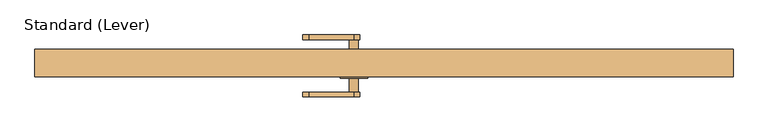
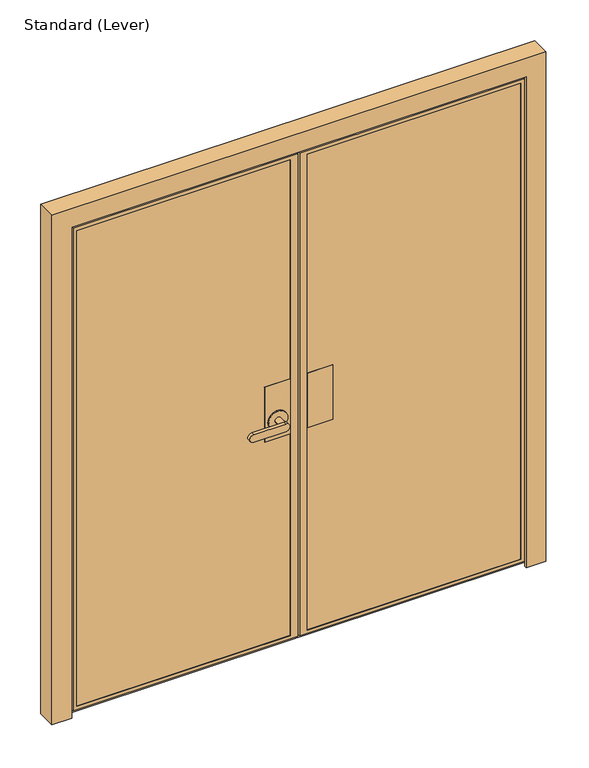
"""IFC4 building model written with IfcOpenShell, lengths in millimetres: door geometry, Standard (Lever)."""

import ifcopenshell
import ifcopenshell.guid

model = None  # the IFC model being written
_history = None  # IfcOwnerHistory: only IFC2X3 demands one
_inside = {}  # id of a spatial element -> (the spatial element, [elements in it])
_under = {}  # id of a project, library or spatial element -> (it, [spatial elements below it])
_declared = {}  # id of a project -> (the project, [libraries it declares])
_typed = {}  # id of a type object -> (the type object, [elements of that type])
_made_of = {}  # id of a material, layer set ... -> (it, [elements and type objects made of it])


def new_model(schema):
    """Start an empty IFC model of exactly this schema.

    Asked for "IFC4X3", IfcOpenShell would pick the latest addendum, in which some entities
    have other attributes; the version numbers below select the first issue.
    IFC2X3 requires an IfcOwnerHistory on every rooted entity: one is made here for all.
    """
    global model, _history
    if schema == "IFC4X3":
        model = ifcopenshell.file(schema_version=(4, 3, 0, 0))
    else:
        model = ifcopenshell.file(schema=schema)
    _inside.clear()
    _under.clear()
    _declared.clear()
    _typed.clear()
    _made_of.clear()
    _history = None
    if model.schema == "IFC2X3":
        org = make("IfcOrganization", Name="unknown")
        user = make(
            "IfcPersonAndOrganization",
            ThePerson=make("IfcPerson", FamilyName="unknown"),
            TheOrganization=org,
        )
        app = make(
            "IfcApplication",
            ApplicationDeveloper=org,
            Version="unknown",
            ApplicationFullName="unknown",
            ApplicationIdentifier="unknown",
        )
        _history = make(
            "IfcOwnerHistory",
            OwningUser=user,
            OwningApplication=app,
            ChangeAction="ADDED",
            CreationDate=0,
        )
    return model


def make(cls, **values):
    """One entity of the class cls with the attributes given. An attribute that is None is left unset."""
    return model.create_entity(
        cls, **{name: value for name, value in values.items() if value is not None}
    )


def rooted(cls, **values):
    """An entity with a GlobalId (a new one), such as an element, a storey or a relation."""
    return make(cls, GlobalId=ifcopenshell.guid.new(), OwnerHistory=_history, **values)


def si_unit(unit_type, name, prefix=None):
    """IfcSIUnit, for example si_unit("LENGTHUNIT", "METRE", prefix="MILLI")."""
    return make("IfcSIUnit", UnitType=unit_type, Prefix=prefix, Name=name)


def assignment(units):
    """IfcUnitAssignment: the units of a project."""
    return None if units is None else make("IfcUnitAssignment", Units=units)


def point(xyz):
    """IfcCartesianPoint."""
    return None if xyz is None else make("IfcCartesianPoint", Coordinates=xyz)


def direction(xyz):
    """IfcDirection."""
    return None if xyz is None else make("IfcDirection", DirectionRatios=xyz)


def frame(location, z_axis=None, x_axis=None):
    """IfcAxis2Placement3D, a coordinate frame: its origin and axes. An axis left out is left unset."""
    return make(
        "IfcAxis2Placement3D",
        Location=point(location),
        Axis=direction(z_axis),
        RefDirection=direction(x_axis),
    )


def origin():
    """The frame at (0, 0, 0) with its axes left unset."""
    return frame((0.0, 0.0, 0.0))


def place(relative_to, where):
    """IfcLocalPlacement: puts the frame where relative to a parent placement (None: the world)."""
    return make(
        "IfcLocalPlacement", PlacementRelTo=relative_to, RelativePlacement=where
    )


def context(
    kind, dimensions, precision=None, world=None, true_north=None, identifier=None
):
    """IfcGeometricRepresentationContext, for example the 3D "Model" context."""
    return make(
        "IfcGeometricRepresentationContext",
        ContextIdentifier=identifier,
        ContextType=kind,
        CoordinateSpaceDimension=dimensions,
        Precision=precision,
        WorldCoordinateSystem=world,
        TrueNorth=true_north,
    )


def project(units=None, contexts=None):
    """IfcProject with its units and contexts."""
    return rooted(
        "IfcProject",
        Name="project",
        RepresentationContexts=contexts,
        UnitsInContext=assignment(units),
    )


def spatial(cls, under=None, at=None, **own):
    """A site, building, storey or space (cls), placed at a placement, below another one or the project."""
    s = rooted(cls, ObjectPlacement=at, **own)
    if under is not None:
        _under.setdefault(under.id(), (under, []))[1].append(s)
    return s


def polyline(points):
    """IfcPolyline through the points."""
    return make("IfcPolyline", Points=[point(p) for p in points])


def circle_curve(where, radius):
    """IfcCircle in the frame where."""
    return make("IfcCircle", Position=where, Radius=radius)


def outline(outer, holes=None, kind="AREA"):
    """IfcArbitraryClosedProfileDef: a profile drawn as a closed curve; with holes, ...WithVoids."""
    if holes is None:
        return make("IfcArbitraryClosedProfileDef", ProfileType=kind, OuterCurve=outer)
    return make(
        "IfcArbitraryProfileDefWithVoids",
        ProfileType=kind,
        OuterCurve=outer,
        InnerCurves=holes,
    )


def extrude(swept, where, along, depth):
    """IfcExtrudedAreaSolid: the profile swept, set in the frame where, extruded along a direction by depth."""
    return make(
        "IfcExtrudedAreaSolid",
        SweptArea=swept,
        Position=where,
        ExtrudedDirection=direction(along),
        Depth=depth,
    )


def faces_of(points, faces, orient=None, outer=None):
    """IfcFace entities. A face is a list of loops; a loop is a list of indices into points, from 0.

    orient and outer hold one flag for each loop. By default every Orientation is true, the
    first loop of a face is its IfcFaceOuterBound and the others are IfcFaceBound.
    """
    made = []
    for i, loops in enumerate(faces):
        bounds = []
        for j, loop in enumerate(loops):
            is_outer = j == 0 if outer is None else outer[i][j]
            bounds.append(
                make(
                    "IfcFaceOuterBound" if is_outer else "IfcFaceBound",
                    Bound=make("IfcPolyLoop", Polygon=[points[k] for k in loop]),
                    Orientation=True if orient is None else orient[i][j],
                )
            )
        made.append(make("IfcFace", Bounds=bounds))
    return made


def faceted_brep(points, faces, orient=None, outer=None, voids=None):
    """IfcFacetedBrep: a solid bounded by flat faces; with voids (closed shells), ...WithVoids."""
    shared = [point(p) for p in points]
    hull = make("IfcClosedShell", CfsFaces=faces_of(shared, faces, orient, outer))
    if voids is None:
        return make("IfcFacetedBrep", Outer=hull)
    return make(
        "IfcFacetedBrepWithVoids",
        Outer=hull,
        Voids=[
            make(cls, CfsFaces=faces_of(shared, fs, o, b)) for cls, fs, o, b in voids
        ],
    )


def shape(context_of_items, identifier, shape_type, items):
    """IfcShapeRepresentation: the items that make up one representation, for example the "Body"."""
    return make(
        "IfcShapeRepresentation",
        ContextOfItems=context_of_items,
        RepresentationIdentifier=identifier,
        RepresentationType=shape_type,
        Items=items,
    )


def source(mapping_origin, context_of_items, identifier, shape_type, items):
    """IfcRepresentationMap: a shape defined once, which mapped items show again and again."""
    return make(
        "IfcRepresentationMap",
        MappingOrigin=mapping_origin,
        MappedRepresentation=shape(context_of_items, identifier, shape_type, items),
    )


def transform(
    local_origin,
    x_axis=None,
    y_axis=None,
    z_axis=None,
    scale=None,
    scale2=None,
    scale3=None,
    uniform=True,
):
    """IfcCartesianTransformationOperator3D, or its non-uniform kind. x_axis, y_axis, z_axis: its Axis1, 2, 3."""
    if uniform:
        return make(
            "IfcCartesianTransformationOperator3D",
            Axis1=direction(x_axis),
            Axis2=direction(y_axis),
            LocalOrigin=point(local_origin),
            Scale=scale,
            Axis3=direction(z_axis),
        )
    return make(
        "IfcCartesianTransformationOperator3DnonUniform",
        Axis1=direction(x_axis),
        Axis2=direction(y_axis),
        LocalOrigin=point(local_origin),
        Scale=scale,
        Axis3=direction(z_axis),
        Scale2=scale2,
        Scale3=scale3,
    )


def mapped(mapping_source, mapping_target):
    """IfcMappedItem: shows the shape of a source again, moved by a transform."""
    return make(
        "IfcMappedItem", MappingSource=mapping_source, MappingTarget=mapping_target
    )


def made_of(thing, what):
    """Note that an element or type object is made of a material, layer set ...; save() writes the relation."""
    if what is not None:
        _made_of.setdefault(what.id(), (what, []))[1].append(thing)
    return thing


def element(
    cls,
    number,
    at=None,
    inside=None,
    cuts=None,
    type_object=None,
    material=None,
    context=None,
    identifier="Body",
    shape_type=None,
    held_by="IfcProductDefinitionShape",
    body=None,
    shapes=None,
    **own,
):
    """One element of the class cls, such as IfcWall. Its Tag is "e" and its number.

    at: its placement. inside: the storey or other place that contains it. cuts: it is an
    opening in that element (IfcRelVoidsElement). A single representation is given by context,
    identifier, shape_type and body (its items); several are given by shapes. held_by: the class
    of the entity that holds the representations. save() writes the other relations.
    """
    e = rooted(cls, Tag="e%d" % number, ObjectPlacement=at, **own)
    if body is not None:
        shapes = [shape(context, identifier, shape_type, body)]
    if shapes is not None:
        e.Representation = make(held_by, Representations=shapes)
    if inside is not None:
        _inside.setdefault(inside.id(), (inside, []))[1].append(e)
    if cuts is not None:
        rooted(
            "IfcRelVoidsElement", RelatingBuildingElement=cuts, RelatedOpeningElement=e
        )
    if type_object is not None:
        _typed.setdefault(type_object.id(), (type_object, []))[1].append(e)
    return made_of(e, material)


def aggregate(whole, parts):
    """IfcRelAggregates: a whole, such as a stair, and the parts it consists of."""
    return rooted("IfcRelAggregates", RelatingObject=whole, RelatedObjects=parts)


def save(model, path):
    """Write the relations noted so far, then the file.

    IfcRelAggregates (storeys below a building ...), IfcRelContainedInSpatialStructure (elements
    in a storey), IfcRelDefinesByType, IfcRelAssociatesMaterial and IfcRelDeclares: one each for
    every whole, place, type object, material and project.
    """
    for whole, parts in _under.values():
        aggregate(whole, parts)
    for where, things in _inside.values():
        rooted(
            "IfcRelContainedInSpatialStructure",
            RelatedElements=things,
            RelatingStructure=where,
        )
    for kind, things in _typed.values():
        rooted("IfcRelDefinesByType", RelatedObjects=things, RelatingType=kind)
    for what, things in _made_of.values():
        rooted("IfcRelAssociatesMaterial", RelatedObjects=things, RelatingMaterial=what)
    for by, libraries in _declared.values():
        rooted("IfcRelDeclares", RelatingContext=by, RelatedDefinitions=libraries)
    model.write(path)


def plane_surface(at):
    """IfcPlane: the flat surface through the origin of the frame at, square to its z axis."""
    return make("IfcPlane", Position=at)


def cylinder_surface(at, radius):
    """IfcCylindricalSurface: all points at the distance radius from the z axis of the frame at."""
    return make("IfcCylindricalSurface", Position=at, Radius=radius)


def advanced_brep(points, edges, surfaces, faces):
    """IfcAdvancedBrep: a solid bounded by faces that lie on surfaces and meet in shared edges.

    An edge is (start, end): straight between two places in points (the first is 0);
    or (start, end, curve); or (start, end, curve, False) where it runs against its curve.
    A face is (place in surfaces, loops), or (place, loops, False) where it looks against
    its surface's normal. A loop lists edges by number (the first is 1), with a minus sign
    where the edge is run from its end to its start. The first loop is the outer one.
    """
    corners = [point(p) for p in points]
    vertices = [make("IfcVertexPoint", VertexGeometry=c) for c in corners]
    made = []
    for start, end, *more in edges:
        made.append(
            make(
                "IfcEdgeCurve",
                EdgeStart=vertices[start],
                EdgeEnd=vertices[end],
                EdgeGeometry=more[0] if more else make("IfcPolyline", Points=[corners[start], corners[end]]),
                SameSense=more[1] if len(more) > 1 else True,
            )
        )
    hull = []
    for where, loops, *sense in faces:
        bounds = []
        for j, loop in enumerate(loops):
            ring = [make("IfcOrientedEdge", EdgeElement=made[abs(k) - 1], Orientation=k > 0) for k in loop]
            bounds.append(
                make(
                    "IfcFaceOuterBound" if j == 0 else "IfcFaceBound",
                    Bound=make("IfcEdgeLoop", EdgeList=ring),
                    Orientation=True,
                )
            )
        hull.append(make("IfcAdvancedFace", Bounds=bounds, FaceSurface=surfaces[where], SameSense=sense[0] if sense else True))
    return make("IfcAdvancedBrep", Outer=make("IfcClosedShell", CfsFaces=hull))


def standard_lever_feea6238(model_context):
    return source(origin(), model_context, "Body", "SolidModel", [
        extrude(outline(polyline([(-282.575, 21.43125), (-180.975, 21.43125), (-180.975, -26.19375), (-282.575, -26.19375), (-282.575, 21.43125)])), frame((0.0, 0.0, 889.0), z_axis=(0.0, 0.0, 1.0), x_axis=(1.0, 0.0, 0.0)), (0.0, 0.0, 1.0), 228.6),
        extrude(outline(polyline([(-282.575, -35.71875), (-180.975, -35.71875), (-180.975, -37.30625), (-282.575, -37.30625), (-282.575, -35.71875)])), frame((0.0, 0.0, 889.0), z_axis=(0.0, 0.0, 1.0), x_axis=(1.0, 0.0, 0.0)), (0.0, 0.0, 1.0), 228.6),
        advanced_brep(
        [(-349.25, 21.43125, 1117.6), (-450.85, 21.43125, 1117.6), (-450.85, -26.19375, 1117.6), (-349.25, -26.19375, 1117.6), (-349.25, 21.43125, 889.0), (-349.25, -26.19375, 889.0), (-450.85, -26.19375, 889.0), (-450.85, 21.43125, 889.0), (-361.95, 21.43125, 965.2), (-438.15, 21.43125, 965.2), (-387.35, 26.19375, 965.2), (-412.75, 26.19375, 965.2), (-412.75, 65.88125, 965.2), (-387.35, 65.88125, 965.2), (-361.95, 26.19375, 965.2), (-438.15, 26.19375, 965.2), (-400.05, 65.88125, 949.325), (-400.05, 65.88125, 981.075), (-527.05, 65.88125, 981.075), (-527.05, 65.88125, 949.325), (-400.05, 78.58125, 949.325), (-527.05, 78.58125, 949.325), (-527.05, 78.58125, 981.075), (-400.05, 78.58125, 981.075)],
        [
            (0, 1),
            (1, 2),
            (2, 3),
            (3, 0),
            (4, 5),
            (5, 6),
            (6, 7),
            (7, 4),
            (3, 5),
            (4, 0),
            (2, 6),
            (1, 7),
            (8, 9, circle_curve(frame((-400.05, 21.43125, 965.2), z_axis=(0.0, -1.0, 0.0), x_axis=(-1.0, 0.0, 0.0)), 38.1)),
            (9, 8, circle_curve(frame((-400.05, 21.43125, 965.2), z_axis=(0.0, -1.0, 0.0), x_axis=(-1.0, 0.0, 0.0)), 38.1)),
            (10, 11, circle_curve(frame((-400.05, 26.19375, 965.2), z_axis=(0.0, 1.0, 0.0), x_axis=(-1.0, 0.0, 0.0)), 12.7)),
            (11, 12),
            (12, 13, circle_curve(frame((-400.05, 65.88125, 965.2), z_axis=(0.0, -1.0, 0.0), x_axis=(-1.0, 0.0, 0.0)), 12.7)),
            (13, 10),
            (13, 12, circle_curve(frame((-400.05, 65.88125, 965.2), z_axis=(0.0, -1.0, 0.0), x_axis=(-1.0, 0.0, 0.0)), 12.7)),
            (11, 10, circle_curve(frame((-400.05, 26.19375, 965.2), z_axis=(0.0, 1.0, 0.0), x_axis=(-1.0, 0.0, 0.0)), 12.7)),
            (14, 15, circle_curve(frame((-400.05, 26.19375, 965.2), z_axis=(0.0, 1.0, 0.0), x_axis=(-1.0, 0.0, 0.0)), 38.1)),
            (15, 14, circle_curve(frame((-400.05, 26.19375, 965.2), z_axis=(0.0, 1.0, 0.0), x_axis=(-1.0, 0.0, 0.0)), 38.1)),
            (14, 8),
            (9, 15),
            (16, 17, circle_curve(frame((-400.05, 65.88125, 965.2), z_axis=(0.0, -1.0, 0.0), x_axis=(-1.0, 0.0, 0.0)), 15.875)),
            (17, 18),
            (18, 19, circle_curve(frame((-527.05, 65.88125, 965.2), z_axis=(0.0, -1.0, 0.0), x_axis=(-1.0, 0.0, 0.0)), 15.875)),
            (19, 16),
            (20, 21),
            (21, 22, circle_curve(frame((-527.05, 78.58125, 965.2), z_axis=(0.0, 1.0, 0.0), x_axis=(-1.0, 0.0, 0.0)), 15.875)),
            (22, 23),
            (23, 20, circle_curve(frame((-400.05, 78.58125, 965.2), z_axis=(0.0, 1.0, 0.0), x_axis=(-1.0, 0.0, 0.0)), 15.875)),
            (19, 21),
            (20, 16),
            (18, 22),
            (17, 23),
        ],
        [
            plane_surface(frame((-349.25, 88.6380478, 1117.6), z_axis=(0.0, 0.0, 1.0), x_axis=(0.0, -1.0, 0.0))),
            plane_surface(frame((-349.25, 88.6380478, 889.0), z_axis=(0.0, 0.0, -1.0), x_axis=(0.0, 1.0, 0.0))),
            plane_surface(frame((-349.25, 21.43125, 1117.6), z_axis=(1.0, 0.0, 0.0), x_axis=(0.0, 0.0, -1.0))),
            plane_surface(frame((-349.25, -26.19375, 1117.6), z_axis=(0.0, -1.0, 0.0), x_axis=(0.0, 0.0, -1.0))),
            plane_surface(frame((-450.85, -26.19375, 1117.6), z_axis=(-1.0, 0.0, 0.0), x_axis=(0.0, 0.0, -1.0))),
            plane_surface(frame((-450.85, 21.43125, 1117.6), z_axis=(0.0, 1.0, 0.0), x_axis=(0.0, 0.0, -1.0))),
            cylinder_surface(frame((-400.05, 65.88125, 965.2), z_axis=(0.0, -1.0, 0.0), x_axis=(-1.0, 0.0, 0.0)), 12.7),
            plane_surface(frame((-438.15, 26.19375, 965.2), z_axis=(0.0, 1.0, 0.0), x_axis=(0.0, 0.0, -1.0))),
            cylinder_surface(frame((-400.05, 26.19375, 965.2), z_axis=(0.0, -1.0, 0.0), x_axis=(-1.0, 0.0, 0.0)), 38.1),
            plane_surface(frame((-400.05, 65.88125, 949.325), z_axis=(0.0, -1.0, 0.0), x_axis=(-1.0, 0.0, 0.0))),
            plane_surface(frame((-400.05, 78.58125, 949.325), z_axis=(0.0, 1.0, 0.0), x_axis=(1.0, 0.0, 0.0))),
            plane_surface(frame((-400.05, 65.88125, 949.325), z_axis=(0.0, 0.0, -1.0), x_axis=(0.0, 1.0, 0.0))),
            cylinder_surface(frame((-527.05, 78.58125, 965.2), z_axis=(0.0, -1.0, 0.0), x_axis=(-1.0, 0.0, 0.0)), 15.875),
            plane_surface(frame((-527.05, 65.88125, 981.075), z_axis=(0.0, 0.0, 1.0), x_axis=(0.0, 1.0, 0.0))),
            cylinder_surface(frame((-400.05, 78.58125, 965.2), z_axis=(0.0, -1.0, 0.0), x_axis=(-1.0, 0.0, 0.0)), 15.875),
        ],
        [
            (0, [[1, 2, 3, 4]]),
            (1, [[5, 6, 7, 8]]),
            (2, [[9, -5, 10, -4]]),
            (3, [[11, -6, -9, -3]]),
            (4, [[12, -7, -11, -2]]),
            (5, [[-10, -8, -12, -1], [13, 14]]),
            (6, [[15, 16, 17, 18]]),
            (6, [[19, -16, 20, -18]]),
            (7, [[21, 22], [-20, -15]]),
            (8, [[23, -14, 24, -21]]),
            (8, [[-24, -13, -23, -22]]),
            (9, [[25, 26, 27, 28], [-19, -17]]),
            (10, [[29, 30, 31, 32]]),
            (11, [[33, -29, 34, -28]]),
            (12, [[35, -30, -33, -27]]),
            (13, [[36, -31, -35, -26]]),
            (14, [[-34, -32, -36, -25]]),
        ],
    ),
        advanced_brep(
        [(-349.25, -35.71875, 1117.6), (-450.85, -35.71875, 1117.6), (-450.85, -37.30625, 1117.6), (-349.25, -37.30625, 1117.6), (-349.25, -35.71875, 889.0), (-349.25, -37.30625, 889.0), (-450.85, -37.30625, 889.0), (-450.85, -35.71875, 889.0), (-361.95, -42.06875, 965.2), (-438.15, -42.06875, 965.2), (-412.75, -42.06875, 965.2), (-387.35, -42.06875, 965.2), (-438.15, -37.30625, 965.2), (-361.95, -37.30625, 965.2), (-387.35, -81.75625, 965.2), (-412.75, -81.75625, 965.2), (-527.05, -94.45625, 949.325), (-400.05, -94.45625, 949.325), (-400.05, -94.45625, 981.075), (-527.05, -94.45625, 981.075), (-527.05, -81.75625, 949.325), (-527.05, -81.75625, 981.075), (-400.05, -81.75625, 981.075), (-400.05, -81.75625, 949.325)],
        [
            (0, 1),
            (1, 2),
            (2, 3),
            (3, 0),
            (4, 5),
            (5, 6),
            (6, 7),
            (7, 4),
            (3, 5),
            (4, 0),
            (1, 7),
            (6, 2),
            (8, 9, circle_curve(frame((-400.05, -42.06875, 965.2), z_axis=(0.0, -1.0, 0.0), x_axis=(-1.0, 0.0, 0.0)), 38.1)),
            (9, 8, circle_curve(frame((-400.05, -42.06875, 965.2), z_axis=(0.0, -1.0, 0.0), x_axis=(-1.0, 0.0, 0.0)), 38.1)),
            (10, 11, circle_curve(frame((-400.05, -42.06875, 965.2), z_axis=(0.0, 1.0, 0.0), x_axis=(-1.0, 0.0, 0.0)), 12.7)),
            (11, 10, circle_curve(frame((-400.05, -42.06875, 965.2), z_axis=(0.0, 1.0, 0.0), x_axis=(-1.0, 0.0, 0.0)), 12.7)),
            (9, 12),
            (12, 13, circle_curve(frame((-400.05, -37.30625, 965.2), z_axis=(0.0, -1.0, 0.0), x_axis=(-1.0, 0.0, 0.0)), 38.1)),
            (13, 8),
            (13, 12, circle_curve(frame((-400.05, -37.30625, 965.2), z_axis=(0.0, -1.0, 0.0), x_axis=(-1.0, 0.0, 0.0)), 38.1)),
            (14, 15, circle_curve(frame((-400.05, -81.75625, 965.2), z_axis=(0.0, 1.0, 0.0), x_axis=(-1.0, 0.0, 0.0)), 12.7)),
            (15, 10),
            (11, 14),
            (15, 14, circle_curve(frame((-400.05, -81.75625, 965.2), z_axis=(0.0, 1.0, 0.0), x_axis=(-1.0, 0.0, 0.0)), 12.7)),
            (16, 17),
            (17, 18, circle_curve(frame((-400.05, -94.45625, 965.2), z_axis=(0.0, -1.0, 0.0), x_axis=(-1.0, 0.0, 0.0)), 15.875)),
            (18, 19),
            (19, 16, circle_curve(frame((-527.05, -94.45625, 965.2), z_axis=(0.0, -1.0, 0.0), x_axis=(-1.0, 0.0, 0.0)), 15.875)),
            (20, 21, circle_curve(frame((-527.05, -81.75625, 965.2), z_axis=(0.0, 1.0, 0.0), x_axis=(-1.0, 0.0, 0.0)), 15.875)),
            (21, 22),
            (22, 23, circle_curve(frame((-400.05, -81.75625, 965.2), z_axis=(0.0, 1.0, 0.0), x_axis=(-1.0, 0.0, 0.0)), 15.875)),
            (23, 20),
            (19, 21),
            (20, 16),
            (18, 22),
            (17, 23),
        ],
        [
            plane_surface(frame((-349.25, 88.6380478, 1117.6), z_axis=(0.0, 0.0, 1.0), x_axis=(0.0, -1.0, 0.0))),
            plane_surface(frame((-349.25, 88.6380478, 889.0), z_axis=(0.0, 0.0, -1.0), x_axis=(0.0, 1.0, 0.0))),
            plane_surface(frame((-349.25, -35.71875, 1117.6), z_axis=(1.0, 0.0, 0.0), x_axis=(0.0, 0.0, -1.0))),
            plane_surface(frame((-450.85, -37.30625, 1117.6), z_axis=(-1.0, 0.0, 0.0), x_axis=(0.0, 0.0, -1.0))),
            plane_surface(frame((-450.85, -35.71875, 1117.6), z_axis=(0.0, 1.0, 0.0), x_axis=(0.0, 0.0, -1.0))),
            plane_surface(frame((-438.15, -42.06875, 965.2), z_axis=(0.0, -1.0, 0.0), x_axis=(0.0, 0.0, 1.0))),
            cylinder_surface(frame((-400.05, -37.30625, 965.2), z_axis=(0.0, -1.0, 0.0), x_axis=(-1.0, 0.0, 0.0)), 38.1),
            cylinder_surface(frame((-400.05, -38.89375, 965.2), z_axis=(0.0, -1.0, 0.0), x_axis=(-1.0, 0.0, 0.0)), 12.7),
            plane_surface(frame((-542.925, -94.45625, 965.2), z_axis=(0.0, -1.0, 0.0), x_axis=(0.0, 0.0, 1.0))),
            plane_surface(frame((-542.925, -81.75625, 965.2), z_axis=(0.0, 1.0, 0.0), x_axis=(0.0, 0.0, -1.0))),
            cylinder_surface(frame((-527.05, -81.75625, 965.2), z_axis=(0.0, -1.0, 0.0), x_axis=(-1.0, 0.0, 0.0)), 15.875),
            plane_surface(frame((-527.05, -94.45625, 981.075), z_axis=(0.0, 0.0, 1.0), x_axis=(0.0, 1.0, 0.0))),
            cylinder_surface(frame((-400.05, -81.75625, 965.2), z_axis=(0.0, -1.0, 0.0), x_axis=(-1.0, 0.0, 0.0)), 15.875),
            plane_surface(frame((-400.05, -94.45625, 949.325), z_axis=(0.0, 0.0, -1.0), x_axis=(0.0, 1.0, 0.0))),
            plane_surface(frame((-349.25, -37.30625, 1117.6), z_axis=(0.0, -1.0, 0.0), x_axis=(0.0, 0.0, -1.0))),
        ],
        [
            (0, [[1, 2, 3, 4]]),
            (1, [[5, 6, 7, 8]]),
            (2, [[9, -5, 10, -4]]),
            (3, [[11, -7, 12, -2]]),
            (4, [[-10, -8, -11, -1]]),
            (5, [[13, 14], [15, 16]]),
            (6, [[17, 18, 19, -14]]),
            (6, [[-19, 20, -17, -13]]),
            (7, [[21, 22, -16, 23]]),
            (7, [[-15, -22, 24, -23]]),
            (8, [[25, 26, 27, 28]]),
            (9, [[29, 30, 31, 32], [-24, -21]]),
            (10, [[33, -29, 34, -28]]),
            (11, [[35, -30, -33, -27]]),
            (12, [[36, -31, -35, -26]]),
            (13, [[-34, -32, -36, -25]]),
            (14, [[-12, -6, -9, -3], [-20, -18]]),
        ],
    ),
        faceted_brep([(-1195.3875, -26.19375, 2035.175), (-1195.3875, -26.19375, 42.8625), (-1195.3875, 21.43125, 42.8625), (-1195.3875, 21.43125, 2035.175), (-1225.55, 21.43125, 2065.3375), (-319.0875, 21.43125, 2065.3375), (-319.0875, 21.43125, 12.7), (-1225.55, 21.43125, 12.7), (-349.25, 21.43125, 42.8625), (-349.25, 21.43125, 2035.175), (-349.25, -26.19375, 42.8625), (-1208.0875, -26.19375, 30.1625), (-336.55, -26.19375, 30.1625), (-336.55, -26.19375, 2047.875), (-1208.0875, -26.19375, 2047.875), (-349.25, -26.19375, 2035.175), (-1208.0875, -35.71875, 2047.875), (-1208.0875, -35.71875, 30.1625), (-336.55, -35.71875, 30.1625), (-336.55, -35.71875, 2047.875), (-1195.3875, -35.71875, 42.8625), (-349.25, -35.71875, 42.8625), (-349.25, -35.71875, 2035.175), (-1195.3875, -35.71875, 2035.175), (-1195.3875, -37.30625, 2035.175), (-1195.3875, -37.30625, 42.8625), (-349.25, -37.30625, 42.8625), (-1209.675, -37.30625, 28.575), (-319.0875, -37.30625, 28.575), (-319.0875, -37.30625, 2049.4625), (-1209.675, -37.30625, 2049.4625), (-349.25, -37.30625, 2035.175), (-1209.675, -23.01875, 2049.4625), (-1209.675, -23.01875, 28.575), (-319.0875, -23.01875, 28.575), (-319.0875, -23.01875, 2049.4625), (-319.0875, -23.01875, 2065.3375), (-1225.55, -23.01875, 2065.3375), (-1225.55, -23.01875, 12.7), (-319.0875, -23.01875, 12.7)], [[[0, 1, 2, 3]], [[4, 5, 6, 7], [2, 8, 9, 3]], [[1, 10, 8, 2]], [[11, 12, 13, 14], [0, 15, 10, 1]], [[16, 17, 11, 14]], [[17, 18, 12, 11]], [[16, 19, 18, 17], [20, 21, 22, 23]], [[24, 25, 20, 23]], [[25, 26, 21, 20]], [[27, 28, 29, 30], [24, 31, 26, 25]], [[32, 33, 27, 30]], [[33, 34, 28, 27]], [[32, 35, 36, 37, 38, 39, 34, 33]], [[4, 7, 38, 37]], [[7, 6, 39, 38]], [[9, 8, 10, 15]], [[13, 12, 18, 19]], [[22, 21, 26, 31]], [[36, 35, 29, 28, 34, 39, 6, 5]], [[3, 9, 15, 0]], [[14, 13, 19, 16]], [[23, 22, 31, 24]], [[30, 29, 35, 32]], [[37, 36, 5, 4]]]),
        faceted_brep([(-312.7375, -23.01875, 28.575), (577.85, -23.01875, 28.575), (577.85, -37.30625, 28.575), (-312.7375, -37.30625, 28.575), (-312.7375, -23.01875, 2049.4625), (-312.7375, -23.01875, 2065.3375), (-312.7375, 21.43125, 2065.3375), (-312.7375, 21.43125, 12.7), (-312.7375, -23.01875, 12.7), (-312.7375, -37.30625, 2049.4625), (577.85, -37.30625, 2049.4625), (563.5625, -37.30625, 42.8625), (-282.575, -37.30625, 42.8625), (-282.575, -37.30625, 2035.175), (563.5625, -37.30625, 2035.175), (577.85, -23.01875, 2049.4625), (593.725, -23.01875, 2065.3375), (593.725, -23.01875, 12.7), (563.5625, -35.71875, 2035.175), (563.5625, -35.71875, 42.8625), (-282.575, -35.71875, 42.8625), (-282.575, -35.71875, 2035.175), (593.725, 21.43125, 12.7), (593.725, 21.43125, 2065.3375), (563.5625, 21.43125, 2035.175), (-282.575, 21.43125, 2035.175), (-282.575, 21.43125, 42.8625), (563.5625, 21.43125, 42.8625), (576.2625, -35.71875, 30.1625), (-295.275, -35.71875, 30.1625), (-295.275, -35.71875, 2047.875), (576.2625, -35.71875, 2047.875), (576.2625, -26.19375, 2047.875), (576.2625, -26.19375, 30.1625), (-295.275, -26.19375, 30.1625), (-295.275, -26.19375, 2047.875), (563.5625, -26.19375, 42.8625), (-282.575, -26.19375, 42.8625), (-282.575, -26.19375, 2035.175), (563.5625, -26.19375, 2035.175)], [[[0, 1, 2, 3]], [[4, 5, 6, 7, 8, 0, 3, 9]], [[9, 3, 2, 10], [11, 12, 13, 14]], [[10, 2, 1, 15]], [[16, 5, 4, 15, 1, 0, 8, 17]], [[18, 19, 11, 14]], [[20, 21, 13, 12]], [[19, 20, 12, 11]], [[17, 8, 7, 22]], [[22, 7, 6, 23], [24, 25, 26, 27]], [[16, 17, 22, 23]], [[28, 29, 30, 31], [18, 21, 20, 19]], [[32, 33, 28, 31]], [[33, 34, 29, 28]], [[32, 35, 34, 33], [36, 37, 38, 39]], [[24, 27, 36, 39]], [[27, 26, 37, 36]], [[34, 35, 30, 29]], [[26, 25, 38, 37]], [[9, 10, 15, 4]], [[23, 6, 5, 16]], [[14, 13, 21, 18]], [[31, 30, 35, 32]], [[39, 38, 25, 24]]]),
        extrude(outline(polyline([(-295.275, -26.19375), (576.2625, -26.19375), (576.2625, -35.71875), (-295.275, -35.71875), (-295.275, -26.19375)])), frame((0.0, 0.0, 30.1625), z_axis=(0.0, 0.0, 1.0), x_axis=(1.0, 0.0, 0.0)), (0.0, 0.0, 1.0), 2017.7125),
        extrude(outline(polyline([(-336.55, -35.71875), (-1208.0875, -35.71875), (-1208.0875, -26.19375), (-336.55, -26.19375), (-336.55, -35.71875)])), frame((0.0, 0.0, 30.1625), z_axis=(0.0, 0.0, 1.0), x_axis=(1.0, 0.0, 0.0)), (0.0, 0.0, 1.0), 2017.7125),
        faceted_brep([(598.4875, -26.9875, 0.0), (598.4875, 38.1, 0.0), (661.9875, 38.1, 0.0), (661.9875, -38.1, 0.0), (584.2, -38.1, 0.0), (584.2, -26.9875, 0.0), (584.2, -26.9875, 2055.8125), (-1216.025, -26.9875, 2055.8125), (-1216.025, -26.9875, 0.0), (-1230.3125, -26.9875, 0.0), (-1230.3125, -26.9875, 2070.1), (598.4875, -26.9875, 2070.1), (584.2, -38.1, 2055.8125), (661.9875, -38.1, 2133.6), (-1293.8125, -38.1, 2133.6), (-1293.8125, -38.1, 0.0), (-1216.025, -38.1, 0.0), (-1216.025, -38.1, 2055.8125), (661.9875, 38.1, 2133.6), (598.4875, 38.1, 2070.1), (-1230.3125, 38.1, 2070.1), (-1230.3125, 38.1, 0.0), (-1293.8125, 38.1, 0.0), (-1293.8125, 38.1, 2133.6)], [[[0, 1, 2, 3, 4, 5]], [[5, 6, 7, 8, 9, 10, 11, 0]], [[4, 12, 6, 5]], [[3, 13, 14, 15, 16, 17, 12, 4]], [[2, 18, 13, 3]], [[1, 19, 20, 21, 22, 23, 18, 2]], [[0, 11, 19, 1]], [[9, 8, 16, 15, 22, 21]], [[15, 14, 23, 22]], [[21, 20, 10, 9]], [[8, 7, 17, 16]], [[23, 14, 13, 18]], [[10, 20, 19, 11]], [[12, 17, 7, 6]]]),
    ])


if __name__ == "__main__":
    model = new_model("IFC4")
    model_context = context("Model", 3, world=origin())
    ifc_project = project(units=[si_unit("LENGTHUNIT", "METRE", prefix="MILLI")], contexts=[model_context])
    site = spatial("IfcSite", under=ifc_project)
    building = spatial("IfcBuilding", under=site)
    placement = place(None, origin())
    standard_lever_shape = standard_lever_feea6238(model_context)
    element("IfcDoor", 1, ObjectType="Standard (Lever)", at=placement, inside=building, context=model_context, shape_type="MappedRepresentation", body=[
        mapped(standard_lever_shape, transform((0.0, 0.0, 0.0), x_axis=(1.0, 0.0, 0.0), y_axis=(0.0, 1.0, 0.0), z_axis=(0.0, 0.0, 1.0))),
    ])
    save(model, "model.ifc")
